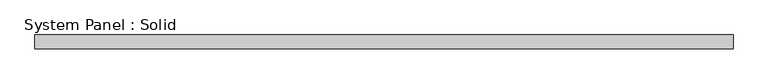
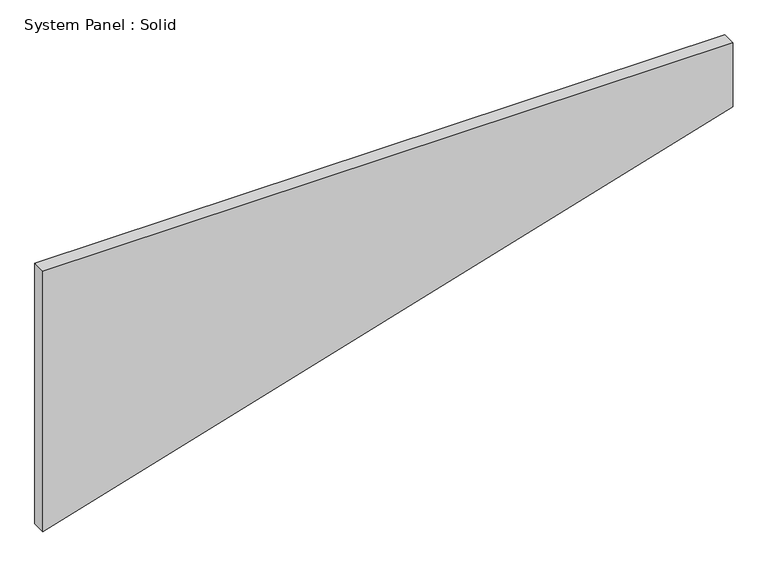
"""IFC4 building model written with IfcOpenShell, lengths in millimetres: plate geometry, System Panel : Solid."""

from ifc_helpers import new_model, si_unit, frame, origin, place, context, project, spatial, polyline, outline, extrude, source, transform, mapped, element, save


def system_panel_solid_7b419cfb(model_context):
    return source(origin(), model_context, "Body", "SweptSolid", [
        extrude(outline(polyline([(0.0, -1500.0), (901.7511009, 1500.0), (1196.497798, 1500.0), (1196.497798, -1500.0), (0.0, -1500.0)])), frame((0.0, -10.5, 0.0), z_axis=(0.0, 1.0, 0.0), x_axis=(0.0, 0.0, 1.0)), (0.0, 0.0, 1.0), 60.0),
    ])


if __name__ == "__main__":
    model = new_model("IFC4")
    model_context = context("Model", 3, world=origin())
    ifc_project = project(units=[si_unit("LENGTHUNIT", "METRE", prefix="MILLI")], contexts=[model_context])
    site = spatial("IfcSite", under=ifc_project)
    building = spatial("IfcBuilding", under=site)
    placement = place(None, origin())
    system_panel_solid_shape = system_panel_solid_7b419cfb(model_context)
    element("IfcPlate", 1, ObjectType="System Panel : Solid", at=placement, inside=building, context=model_context, shape_type="MappedRepresentation", body=[
        mapped(system_panel_solid_shape, transform((0.0, 0.0, 0.0), x_axis=(1.0, 0.0, 0.0), y_axis=(0.0, 1.0, 0.0), z_axis=(0.0, 0.0, 1.0))),
    ])
    save(model, "model.ifc")
